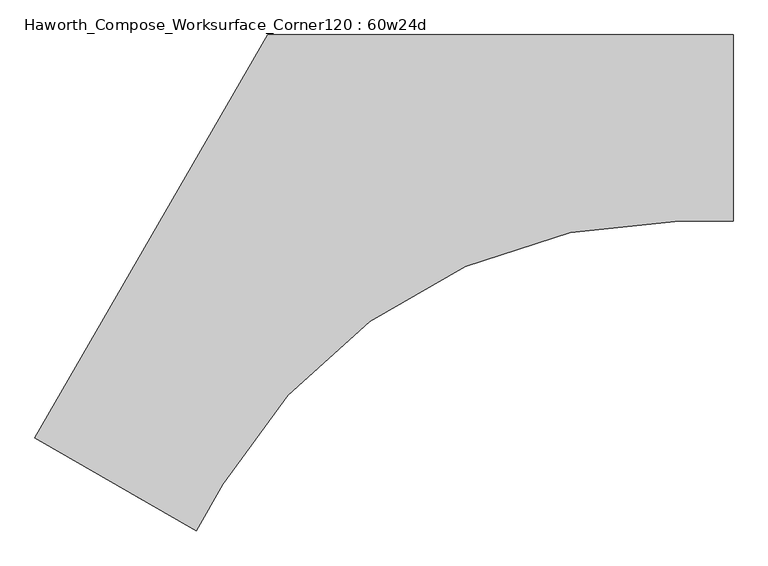
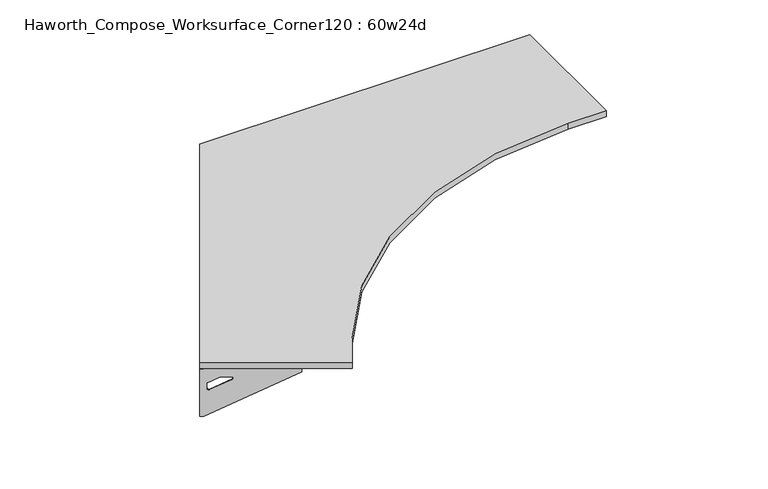
"""IFC4 building model written with IfcOpenShell, lengths in millimetres: furniture geometry, Haworth_Compose_Worksurface_Corner120 : 60w24d."""

import ifcopenshell
import ifcopenshell.guid

model = None  # the IFC model being written
_history = None  # IfcOwnerHistory: only IFC2X3 demands one
_inside = {}  # id of a spatial element -> (the spatial element, [elements in it])
_under = {}  # id of a project, library or spatial element -> (it, [spatial elements below it])
_declared = {}  # id of a project -> (the project, [libraries it declares])
_typed = {}  # id of a type object -> (the type object, [elements of that type])
_made_of = {}  # id of a material, layer set ... -> (it, [elements and type objects made of it])


def new_model(schema):
    """Start an empty IFC model of exactly this schema.

    Asked for "IFC4X3", IfcOpenShell would pick the latest addendum, in which some entities
    have other attributes; the version numbers below select the first issue.
    IFC2X3 requires an IfcOwnerHistory on every rooted entity: one is made here for all.
    """
    global model, _history
    if schema == "IFC4X3":
        model = ifcopenshell.file(schema_version=(4, 3, 0, 0))
    else:
        model = ifcopenshell.file(schema=schema)
    _inside.clear()
    _under.clear()
    _declared.clear()
    _typed.clear()
    _made_of.clear()
    _history = None
    if model.schema == "IFC2X3":
        org = make("IfcOrganization", Name="unknown")
        user = make(
            "IfcPersonAndOrganization",
            ThePerson=make("IfcPerson", FamilyName="unknown"),
            TheOrganization=org,
        )
        app = make(
            "IfcApplication",
            ApplicationDeveloper=org,
            Version="unknown",
            ApplicationFullName="unknown",
            ApplicationIdentifier="unknown",
        )
        _history = make(
            "IfcOwnerHistory",
            OwningUser=user,
            OwningApplication=app,
            ChangeAction="ADDED",
            CreationDate=0,
        )
    return model


def make(cls, **values):
    """One entity of the class cls with the attributes given. An attribute that is None is left unset."""
    return model.create_entity(
        cls, **{name: value for name, value in values.items() if value is not None}
    )


def rooted(cls, **values):
    """An entity with a GlobalId (a new one), such as an element, a storey or a relation."""
    return make(cls, GlobalId=ifcopenshell.guid.new(), OwnerHistory=_history, **values)


def si_unit(unit_type, name, prefix=None):
    """IfcSIUnit, for example si_unit("LENGTHUNIT", "METRE", prefix="MILLI")."""
    return make("IfcSIUnit", UnitType=unit_type, Prefix=prefix, Name=name)


def assignment(units):
    """IfcUnitAssignment: the units of a project."""
    return None if units is None else make("IfcUnitAssignment", Units=units)


def point(xyz):
    """IfcCartesianPoint."""
    return None if xyz is None else make("IfcCartesianPoint", Coordinates=xyz)


def direction(xyz):
    """IfcDirection."""
    return None if xyz is None else make("IfcDirection", DirectionRatios=xyz)


def frame(location, z_axis=None, x_axis=None):
    """IfcAxis2Placement3D, a coordinate frame: its origin and axes. An axis left out is left unset."""
    return make(
        "IfcAxis2Placement3D",
        Location=point(location),
        Axis=direction(z_axis),
        RefDirection=direction(x_axis),
    )


def frame_2d(location, x_axis=None):
    """IfcAxis2Placement2D, a coordinate frame in the plane: its origin and x axis."""
    return make(
        "IfcAxis2Placement2D", Location=point(location), RefDirection=direction(x_axis)
    )


def origin():
    """The frame at (0, 0, 0) with its axes left unset."""
    return frame((0.0, 0.0, 0.0))


def place(relative_to, where):
    """IfcLocalPlacement: puts the frame where relative to a parent placement (None: the world)."""
    return make(
        "IfcLocalPlacement", PlacementRelTo=relative_to, RelativePlacement=where
    )


def context(
    kind, dimensions, precision=None, world=None, true_north=None, identifier=None
):
    """IfcGeometricRepresentationContext, for example the 3D "Model" context."""
    return make(
        "IfcGeometricRepresentationContext",
        ContextIdentifier=identifier,
        ContextType=kind,
        CoordinateSpaceDimension=dimensions,
        Precision=precision,
        WorldCoordinateSystem=world,
        TrueNorth=true_north,
    )


def project(units=None, contexts=None):
    """IfcProject with its units and contexts."""
    return rooted(
        "IfcProject",
        Name="project",
        RepresentationContexts=contexts,
        UnitsInContext=assignment(units),
    )


def spatial(cls, under=None, at=None, **own):
    """A site, building, storey or space (cls), placed at a placement, below another one or the project."""
    s = rooted(cls, ObjectPlacement=at, **own)
    if under is not None:
        _under.setdefault(under.id(), (under, []))[1].append(s)
    return s


def polyline(points):
    """IfcPolyline through the points."""
    return make("IfcPolyline", Points=[point(p) for p in points])


def circle_curve(where, radius):
    """IfcCircle in the frame where."""
    return make("IfcCircle", Position=where, Radius=radius)


def trimmed(basis, trim1, trim2, sense, master):
    """IfcTrimmedCurve: the piece of a basis curve between two trims."""
    return make(
        "IfcTrimmedCurve",
        BasisCurve=basis,
        Trim1=trim1,
        Trim2=trim2,
        SenseAgreement=sense,
        MasterRepresentation=master,
    )


def segment(curve, same_sense, transition):
    """IfcCompositeCurveSegment."""
    return make(
        "IfcCompositeCurveSegment",
        Transition=transition,
        SameSense=same_sense,
        ParentCurve=curve,
    )


def composite_curve(segments, self_intersect=None):
    """IfcCompositeCurve: segments joined end to end."""
    return make("IfcCompositeCurve", Segments=segments, SelfIntersect=self_intersect)


def outline(outer, holes=None, kind="AREA"):
    """IfcArbitraryClosedProfileDef: a profile drawn as a closed curve; with holes, ...WithVoids."""
    if holes is None:
        return make("IfcArbitraryClosedProfileDef", ProfileType=kind, OuterCurve=outer)
    return make(
        "IfcArbitraryProfileDefWithVoids",
        ProfileType=kind,
        OuterCurve=outer,
        InnerCurves=holes,
    )


def extrude(swept, where, along, depth):
    """IfcExtrudedAreaSolid: the profile swept, set in the frame where, extruded along a direction by depth."""
    return make(
        "IfcExtrudedAreaSolid",
        SweptArea=swept,
        Position=where,
        ExtrudedDirection=direction(along),
        Depth=depth,
    )


def shape(context_of_items, identifier, shape_type, items):
    """IfcShapeRepresentation: the items that make up one representation, for example the "Body"."""
    return make(
        "IfcShapeRepresentation",
        ContextOfItems=context_of_items,
        RepresentationIdentifier=identifier,
        RepresentationType=shape_type,
        Items=items,
    )


def source(mapping_origin, context_of_items, identifier, shape_type, items):
    """IfcRepresentationMap: a shape defined once, which mapped items show again and again."""
    return make(
        "IfcRepresentationMap",
        MappingOrigin=mapping_origin,
        MappedRepresentation=shape(context_of_items, identifier, shape_type, items),
    )


def transform(
    local_origin,
    x_axis=None,
    y_axis=None,
    z_axis=None,
    scale=None,
    scale2=None,
    scale3=None,
    uniform=True,
):
    """IfcCartesianTransformationOperator3D, or its non-uniform kind. x_axis, y_axis, z_axis: its Axis1, 2, 3."""
    if uniform:
        return make(
            "IfcCartesianTransformationOperator3D",
            Axis1=direction(x_axis),
            Axis2=direction(y_axis),
            LocalOrigin=point(local_origin),
            Scale=scale,
            Axis3=direction(z_axis),
        )
    return make(
        "IfcCartesianTransformationOperator3DnonUniform",
        Axis1=direction(x_axis),
        Axis2=direction(y_axis),
        LocalOrigin=point(local_origin),
        Scale=scale,
        Axis3=direction(z_axis),
        Scale2=scale2,
        Scale3=scale3,
    )


def mapped(mapping_source, mapping_target):
    """IfcMappedItem: shows the shape of a source again, moved by a transform."""
    return make(
        "IfcMappedItem", MappingSource=mapping_source, MappingTarget=mapping_target
    )


def made_of(thing, what):
    """Note that an element or type object is made of a material, layer set ...; save() writes the relation."""
    if what is not None:
        _made_of.setdefault(what.id(), (what, []))[1].append(thing)
    return thing


def element(
    cls,
    number,
    at=None,
    inside=None,
    cuts=None,
    type_object=None,
    material=None,
    context=None,
    identifier="Body",
    shape_type=None,
    held_by="IfcProductDefinitionShape",
    body=None,
    shapes=None,
    **own,
):
    """One element of the class cls, such as IfcWall. Its Tag is "e" and its number.

    at: its placement. inside: the storey or other place that contains it. cuts: it is an
    opening in that element (IfcRelVoidsElement). A single representation is given by context,
    identifier, shape_type and body (its items); several are given by shapes. held_by: the class
    of the entity that holds the representations. save() writes the other relations.
    """
    e = rooted(cls, Tag="e%d" % number, ObjectPlacement=at, **own)
    if body is not None:
        shapes = [shape(context, identifier, shape_type, body)]
    if shapes is not None:
        e.Representation = make(held_by, Representations=shapes)
    if inside is not None:
        _inside.setdefault(inside.id(), (inside, []))[1].append(e)
    if cuts is not None:
        rooted(
            "IfcRelVoidsElement", RelatingBuildingElement=cuts, RelatedOpeningElement=e
        )
    if type_object is not None:
        _typed.setdefault(type_object.id(), (type_object, []))[1].append(e)
    return made_of(e, material)


def aggregate(whole, parts):
    """IfcRelAggregates: a whole, such as a stair, and the parts it consists of."""
    return rooted("IfcRelAggregates", RelatingObject=whole, RelatedObjects=parts)


def save(model, path):
    """Write the relations noted so far, then the file.

    IfcRelAggregates (storeys below a building ...), IfcRelContainedInSpatialStructure (elements
    in a storey), IfcRelDefinesByType, IfcRelAssociatesMaterial and IfcRelDeclares: one each for
    every whole, place, type object, material and project.
    """
    for whole, parts in _under.values():
        aggregate(whole, parts)
    for where, things in _inside.values():
        rooted(
            "IfcRelContainedInSpatialStructure",
            RelatedElements=things,
            RelatingStructure=where,
        )
    for kind, things in _typed.values():
        rooted("IfcRelDefinesByType", RelatedObjects=things, RelatingType=kind)
    for what, things in _made_of.values():
        rooted("IfcRelAssociatesMaterial", RelatedObjects=things, RelatingMaterial=what)
    for by, libraries in _declared.values():
        rooted("IfcRelDeclares", RelatingContext=by, RelatedDefinitions=libraries)
    model.write(path)


def plane_surface(at):
    """IfcPlane: the flat surface through the origin of the frame at, square to its z axis."""
    return make("IfcPlane", Position=at)


def revolved_surface(curve, axis_point, axis_direction):
    """IfcSurfaceOfRevolution: the curve turned about the line through axis_point along axis_direction."""
    return make(
        "IfcSurfaceOfRevolution",
        SweptCurve=make("IfcArbitraryOpenProfileDef", ProfileType="CURVE", Curve=curve),
        AxisPosition=make("IfcAxis1Placement", Location=point(axis_point), Axis=direction(axis_direction)),
    )


def advanced_brep(points, edges, surfaces, faces):
    """IfcAdvancedBrep: a solid bounded by faces that lie on surfaces and meet in shared edges.

    An edge is (start, end): straight between two places in points (the first is 0);
    or (start, end, curve); or (start, end, curve, False) where it runs against its curve.
    A face is (place in surfaces, loops), or (place, loops, False) where it looks against
    its surface's normal. A loop lists edges by number (the first is 1), with a minus sign
    where the edge is run from its end to its start. The first loop is the outer one.
    """
    corners = [point(p) for p in points]
    vertices = [make("IfcVertexPoint", VertexGeometry=c) for c in corners]
    made = []
    for start, end, *more in edges:
        made.append(
            make(
                "IfcEdgeCurve",
                EdgeStart=vertices[start],
                EdgeEnd=vertices[end],
                EdgeGeometry=more[0] if more else make("IfcPolyline", Points=[corners[start], corners[end]]),
                SameSense=more[1] if len(more) > 1 else True,
            )
        )
    hull = []
    for where, loops, *sense in faces:
        bounds = []
        for j, loop in enumerate(loops):
            ring = [make("IfcOrientedEdge", EdgeElement=made[abs(k) - 1], Orientation=k > 0) for k in loop]
            bounds.append(
                make(
                    "IfcFaceOuterBound" if j == 0 else "IfcFaceBound",
                    Bound=make("IfcEdgeLoop", EdgeList=ring),
                    Orientation=True,
                )
            )
        hull.append(make("IfcAdvancedFace", Bounds=bounds, FaceSurface=surfaces[where], SameSense=sense[0] if sense else True))
    return make("IfcAdvancedBrep", Outer=make("IfcClosedShell", CfsFaces=hull))


def haworth_compose_worksurface_corner120_60w24d_9db3a5e5(model_context):
    return source(origin(), model_context, "Body", "SolidModel", [
        advanced_brep(
        [(759.61875, 304.8, 473.86875), (759.61875, 288.925, 473.86875), (759.61875, -101.6, 690.1317568), (759.61875, -101.6, 702.46875), (759.61875, 288.925, 702.46875), (759.61875, 304.8, 702.46875), (759.61875, 221.490072, 664.36875), (759.61875, 177.8355284, 664.36875), (759.61875, 175.1564235, 654.7830539), (759.61875, 266.8776173, 603.9901439), (759.61875, 276.225, 609.5881969), (759.61875, 276.225, 633.0985246), (759.61875, 274.4730055, 635.9367776), (759.61875, 224.5663437, 663.5738425), (762.0, 304.8, 473.86875), (762.0, 304.8, 702.46875), (762.0, 288.925, 702.46875), (762.0, 288.925, 704.85), (762.0, -101.6, 704.85), (762.0, -101.6, 690.1317568), (762.0, 288.925, 473.86875), (762.0, 221.490072, 664.36875), (762.0, 224.5663437, 663.5738425), (762.0, 274.4730055, 635.9367776), (762.0, 276.225, 633.0985246), (762.0, 276.225, 609.5881969), (762.0, 266.8776173, 603.9901439), (762.0, 175.1564235, 654.7830539), (762.0, 177.8355284, 664.36875), (720.725, -101.6, 704.85), (720.725, -101.6, 702.46875), (720.725, 288.925, 702.46875), (720.725, 288.925, 704.85)],
        [
            (0, 1),
            (1, 2),
            (2, 3),
            (3, 4),
            (4, 5),
            (5, 0),
            (6, 7),
            (7, 8, circle_curve(frame((759.61875, 177.8355284, 659.2015106), z_axis=(1.0, 0.0, 0.0), x_axis=(0.0, -1.0, 0.0)), 5.1672394)),
            (8, 9),
            (9, 10, circle_curve(frame((759.61875, 269.875, 609.5881969), z_axis=(1.0, 0.0, 0.0), x_axis=(0.0, -1.0, 0.0)), 6.35)),
            (10, 11),
            (11, 12, circle_curve(frame((759.61875, 273.05, 633.0985246), z_axis=(1.0, 0.0, 0.0), x_axis=(0.0, -1.0, 0.0)), 3.175)),
            (12, 13),
            (13, 6, circle_curve(frame((759.61875, 221.490072, 658.01875), z_axis=(1.0, 0.0, 0.0), x_axis=(0.0, -1.0, 0.0)), 6.35)),
            (14, 15),
            (15, 16),
            (16, 17),
            (17, 18),
            (18, 19),
            (19, 20),
            (20, 14),
            (21, 22, circle_curve(frame((762.0, 221.490072, 658.01875), z_axis=(-1.0, 0.0, 0.0), x_axis=(0.0, -1.0, 0.0)), 6.35)),
            (22, 23),
            (23, 24, circle_curve(frame((762.0, 273.05, 633.0985246), z_axis=(-1.0, 0.0, 0.0), x_axis=(0.0, -1.0, 0.0)), 3.175)),
            (24, 25),
            (25, 26, circle_curve(frame((762.0, 269.875, 609.5881969), z_axis=(-1.0, 0.0, 0.0), x_axis=(0.0, -1.0, 0.0)), 6.35)),
            (26, 27),
            (27, 28, circle_curve(frame((762.0, 177.8355284, 659.2015106), z_axis=(-1.0, 0.0, 0.0), x_axis=(0.0, -1.0, 0.0)), 5.1672394)),
            (28, 21),
            (4, 16),
            (15, 5),
            (14, 0),
            (20, 1),
            (19, 2),
            (18, 29),
            (29, 30),
            (30, 3),
            (6, 21),
            (28, 7),
            (9, 26),
            (25, 10),
            (24, 11),
            (23, 12),
            (27, 8),
            (31, 4),
            (30, 31),
            (32, 29),
            (17, 32),
            (31, 32),
            (22, 13),
        ],
        [
            plane_surface(frame((759.61875, 304.8, 473.86875), z_axis=(-1.0, 0.0, 0.0), x_axis=(0.0, 1.0, 0.0))),
            plane_surface(frame((762.0, 304.8, 473.86875), z_axis=(1.0, 0.0, 0.0), x_axis=(0.0, -1.0, 0.0))),
            plane_surface(frame((762.0, -101.6, 702.46875), z_axis=(0.0, 0.0, 1.0), x_axis=(-1.0, 0.0, 0.0))),
            plane_surface(frame((762.0, 304.8, 702.46875), z_axis=(0.0, 1.0, 0.0), x_axis=(-1.0, 0.0, 0.0))),
            plane_surface(frame((762.0, 304.8, 473.86875), z_axis=(0.0, 0.0, -1.0), x_axis=(-1.0, 0.0, 0.0))),
            plane_surface(frame((762.0, 288.925, 473.86875), z_axis=(0.0, -0.4844522351345575, -0.8748177135112957), x_axis=(-1.0, 0.0, 0.0))),
            plane_surface(frame((762.0, -101.6, 690.1317568), z_axis=(0.0, -1.0, 0.0), x_axis=(-1.0, 0.0, 0.0))),
            plane_surface(frame((762.0, 221.490072, 664.36875), z_axis=(0.0, 0.0, -1.0), x_axis=(-1.0, 0.0, 0.0))),
            revolved_surface(polyline([(759.61875, 263.525, 609.5881969), (762.0, 263.525, 609.5881969)]), (762.0, 269.875, 609.5881969), (-1.0, 0.0, 0.0)),
            plane_surface(frame((762.0, 276.225, 609.5881969), z_axis=(0.0, -1.0, 0.0), x_axis=(-1.0, 0.0, 0.0))),
            revolved_surface(polyline([(759.61875, 269.875, 633.0985246), (762.0, 269.875, 633.0985246)]), (762.0, 273.05, 633.0985246), (-1.0, 0.0, 0.0)),
            revolved_surface(polyline([(759.61875, 172.668289, 659.2015106), (762.0, 172.668289, 659.2015106)]), (762.0, 177.8355284, 659.2015106), (-1.0, 0.0, 0.0)),
            plane_surface(frame((762.0, 288.925, 702.46875), z_axis=(0.0, 0.0, -1.0), x_axis=(-1.0, 0.0, 0.0))),
            plane_surface(frame((762.0, 288.925, 704.85), z_axis=(0.0, 0.0, 1.0), x_axis=(1.0, 0.0, 0.0))),
            plane_surface(frame((720.725, 288.925, 704.85), z_axis=(0.0, 1.0, 0.0), x_axis=(0.0, 0.0, -1.0))),
            plane_surface(frame((720.725, -101.6, 704.85), z_axis=(-1.0, 0.0, 0.0), x_axis=(0.0, 0.0, -1.0))),
            plane_surface(frame((762.0, 175.1564235, 654.7830539), z_axis=(0.0, 0.4844522351341526, 0.8748177135115199), x_axis=(-1.0, 0.0, 0.0))),
            plane_surface(frame((762.0, 274.4730055, 635.9367776), z_axis=(0.0, -0.48445223513456226, -0.874817713511293), x_axis=(-1.0, 0.0, 0.0))),
            revolved_surface(polyline([(759.61875, 215.140072, 658.01875), (762.0, 215.140072, 658.01875)]), (762.0, 221.490072, 658.01875), (-1.0, 0.0, 0.0)),
        ],
        [
            (0, [[1, 2, 3, 4, 5, 6], [7, 8, 9, 10, 11, 12, 13, 14]]),
            (1, [[15, 16, 17, 18, 19, 20, 21], [22, 23, 24, 25, 26, 27, 28, 29]]),
            (2, [[-5, 30, -16, 31]]),
            (3, [[-31, -15, 32, -6]]),
            (4, [[-32, -21, 33, -1]]),
            (5, [[-33, -20, 34, -2]]),
            (6, [[-34, -19, 35, 36, 37, -3]]),
            (7, [[38, -29, 39, -7]]),
            (8, [[40, -26, 41, -10]]),
            (9, [[-41, -25, 42, -11]]),
            (10, [[-42, -24, 43, -12]]),
            (11, [[-39, -28, 44, -8]]),
            (12, [[45, -4, -37, 46]]),
            (13, [[47, -35, -18, 48]]),
            (14, [[-17, -30, -45, 49, -48]]),
            (15, [[-36, -47, -49, -46]]),
            (16, [[-44, -27, -40, -9]]),
            (17, [[-43, -23, 50, -13]]),
            (18, [[-50, -22, -38, -14]]),
        ],
    ),
        advanced_brep(
        [(-1522.809375, -1012.9604924, 473.86875), (-1522.809375, -1012.9604924, 702.46875), (-1509.0612217, -1020.8979924, 702.46875), (-1170.8566509, -1216.1604924, 702.46875), (-1170.8566509, -1216.1604924, 690.1317568), (-1509.0612217, -1020.8979924, 473.86875), (-1450.660861, -1054.6154564, 664.36875), (-1453.3249904, -1053.0773205, 663.5738425), (-1496.5454274, -1028.1239896, 635.9367776), (-1498.0626991, -1027.2479924, 633.0985246), (-1498.0626991, -1027.2479924, 609.5881969), (-1489.9676282, -1031.9216837, 603.9901439), (-1410.5347443, -1077.7822806, 654.7830539), (-1412.8549172, -1076.4427282, 664.36875), (-1524.0, -1015.0227154, 473.86875), (-1510.2518467, -1022.9602154, 473.86875), (-1172.0472759, -1218.2227154, 690.1317568), (-1172.0472759, -1218.2227154, 704.85), (-1510.2518467, -1022.9602154, 704.85), (-1510.2518467, -1022.9602154, 702.46875), (-1524.0, -1015.0227154, 702.46875), (-1451.851486, -1056.6776794, 664.36875), (-1414.0455422, -1078.5049512, 664.36875), (-1411.7253693, -1079.8445036, 654.7830539), (-1491.1582532, -1033.9839067, 603.9901439), (-1499.2533241, -1029.3102154, 609.5881969), (-1499.2533241, -1029.3102154, 633.0985246), (-1497.7360524, -1030.1862126, 635.9367776), (-1454.5156154, -1055.1395435, 663.5738425), (-1151.4097759, -1182.4775168, 702.46875), (-1151.4097759, -1182.4775168, 704.85), (-1489.6143467, -987.2150168, 702.46875), (-1489.6143467, -987.2150168, 704.85)],
        [
            (0, 1),
            (1, 2),
            (2, 3),
            (3, 4),
            (4, 5),
            (5, 0),
            (6, 7, circle_curve(frame((-1450.660861, -1054.6154564, 658.01875), z_axis=(-0.5000000000000026, -0.8660254037844374, 0.0), x_axis=(0.8660254037844372, -0.5000000000000024, 0.0)), 6.35)),
            (7, 8),
            (8, 9, circle_curve(frame((-1495.3130684, -1028.8354924, 633.0985246), z_axis=(-0.5000000000000026, -0.8660254037844374, 0.0), x_axis=(0.8660254037844372, -0.5000000000000024, 0.0)), 3.175)),
            (9, 10),
            (10, 11, circle_curve(frame((-1492.5634378, -1030.4229924, 609.5881969), z_axis=(-0.5000000000000026, -0.8660254037844374, 0.0), x_axis=(0.8660254037844372, -0.5000000000000024, 0.0)), 6.35)),
            (11, 12),
            (12, 13, circle_curve(frame((-1412.8549172, -1076.4427282, 659.2015106), z_axis=(-0.5000000000000026, -0.8660254037844374, 0.0), x_axis=(0.8660254037844372, -0.5000000000000024, 0.0)), 5.1672394)),
            (13, 6),
            (14, 15),
            (15, 16),
            (16, 17),
            (17, 18),
            (18, 19),
            (19, 20),
            (20, 14),
            (21, 22),
            (22, 23, circle_curve(frame((-1414.0455422, -1078.5049512, 659.2015106), z_axis=(0.5000000000000026, 0.8660254037844374, 0.0), x_axis=(0.8660254037844372, -0.5000000000000024, 0.0)), 5.1672394)),
            (23, 24),
            (24, 25, circle_curve(frame((-1493.7540628, -1032.4852154, 609.5881969), z_axis=(0.5000000000000026, 0.8660254037844374, 0.0), x_axis=(0.8660254037844372, -0.5000000000000024, 0.0)), 6.35)),
            (25, 26),
            (26, 27, circle_curve(frame((-1496.5036934, -1030.8977154, 633.0985246), z_axis=(0.5000000000000026, 0.8660254037844374, 0.0), x_axis=(0.8660254037844372, -0.5000000000000024, 0.0)), 3.175)),
            (27, 28),
            (28, 21, circle_curve(frame((-1451.851486, -1056.6776794, 658.01875), z_axis=(0.5000000000000026, 0.8660254037844374, 0.0), x_axis=(0.8660254037844372, -0.5000000000000024, 0.0)), 6.35)),
            (1, 20),
            (19, 2),
            (0, 14),
            (5, 15),
            (4, 16),
            (3, 29),
            (29, 30),
            (30, 17),
            (13, 22),
            (21, 6),
            (10, 25),
            (24, 11),
            (9, 26),
            (8, 27),
            (12, 23),
            (31, 29),
            (2, 31),
            (32, 18),
            (30, 32),
            (32, 31),
            (7, 28),
        ],
        [
            plane_surface(frame((-1522.809375, -1012.9604924, 473.86875), z_axis=(0.5000000000000026, 0.8660254037844373, 0.0), x_axis=(-0.8660254037844373, 0.5000000000000026, 0.0))),
            plane_surface(frame((-1524.0, -1015.0227154, 473.86875), z_axis=(-0.5000000000000026, -0.8660254037844373, 0.0), x_axis=(0.8660254037844373, -0.5000000000000026, 0.0))),
            plane_surface(frame((-1172.0472759, -1218.2227154, 702.46875), z_axis=(0.0, 0.0, 1.0), x_axis=(0.5000000000000011, 0.866025403784438, 0.0))),
            plane_surface(frame((-1524.0, -1015.0227154, 702.46875), z_axis=(-0.866025403784438, 0.5000000000000011, 0.0), x_axis=(0.5000000000000011, 0.866025403784438, 0.0))),
            plane_surface(frame((-1524.0, -1015.0227154, 473.86875), z_axis=(0.0, 0.0, -1.0), x_axis=(0.5000000000000011, 0.866025403784438, 0.0))),
            plane_surface(frame((-1510.2518467, -1022.9602154, 473.86875), z_axis=(0.41954794254667943, -0.24222611756727808, -0.8748177135112957), x_axis=(0.5000000000000011, 0.866025403784438, 0.0))),
            plane_surface(frame((-1172.0472759, -1218.2227154, 690.1317568), z_axis=(0.866025403784438, -0.5000000000000011, 0.0), x_axis=(0.5000000000000011, 0.866025403784438, 0.0))),
            plane_surface(frame((-1451.851486, -1056.6776794, 664.36875), z_axis=(0.0, 0.0, -1.0), x_axis=(0.5000000000000011, 0.866025403784438, 0.0))),
            revolved_surface(polyline([(-1487.0641764519498, -1033.5979923483158, 609.5881969), (-1488.2548014859688, -1035.6602154, 609.5881969)]), (-1493.7540628, -1032.4852154, 609.5881969), (0.5000000000000024, 0.8660254037844372, 0.0)),
            plane_surface(frame((-1499.2533241, -1029.3102154, 609.5881969), z_axis=(0.866025403784438, -0.5000000000000011, 0.0), x_axis=(0.5000000000000011, 0.866025403784438, 0.0))),
            revolved_surface(polyline([(-1492.56343773985, -1030.4229924018098, 633.0985246), (-1493.7540627537305, -1032.485215418613, 633.0985246)]), (-1496.5036934, -1030.8977154, 633.0985246), (0.5000000000000024, 0.8660254037844372, 0.0)),
            revolved_surface(polyline([(-1408.3799565880802, -1079.0263478655236, 659.2015106), (-1409.5705816121642, -1081.0885709000001, 659.2015106)]), (-1414.0455422, -1078.5049512, 659.2015106), (0.5000000000000024, 0.8660254037844372, 0.0)),
            plane_surface(frame((-1510.2518467, -1022.9602154, 702.46875), z_axis=(0.0, 0.0, -1.0), x_axis=(0.5000000000000011, 0.866025403784438, 0.0))),
            plane_surface(frame((-1510.2518467, -1022.9602154, 704.85), z_axis=(0.0, 0.0, 1.0), x_axis=(-0.5000000000000011, -0.866025403784438, 0.0))),
            plane_surface(frame((-1489.6143467, -987.2150168, 704.85), z_axis=(-0.866025403784438, 0.5000000000000011, 0.0), x_axis=(0.0, 0.0, -1.0))),
            plane_surface(frame((-1151.4097759, -1182.4775168, 704.85), z_axis=(0.5000000000000011, 0.866025403784438, 0.0), x_axis=(0.0, 0.0, -1.0))),
            plane_surface(frame((-1411.7253693, -1079.8445036, 654.7830539), z_axis=(-0.41954794254632877, 0.24222611756707563, 0.87481771351152), x_axis=(0.5000000000000011, 0.866025403784438, 0.0))),
            plane_surface(frame((-1497.7360524, -1030.1862126, 635.9367776), z_axis=(0.4195479425466836, -0.24222611756728046, -0.874817713511293), x_axis=(0.5000000000000011, 0.866025403784438, 0.0))),
            revolved_surface(polyline([(-1445.161599650898, -1057.790456346494, 658.01875), (-1446.3522246859688, -1059.8526794, 658.01875)]), (-1451.851486, -1056.6776794, 658.01875), (0.5000000000000024, 0.8660254037844372, 0.0)),
        ],
        [
            (0, [[1, 2, 3, 4, 5, 6], [7, 8, 9, 10, 11, 12, 13, 14]]),
            (1, [[15, 16, 17, 18, 19, 20, 21], [22, 23, 24, 25, 26, 27, 28, 29]]),
            (2, [[30, -20, 31, -2]]),
            (3, [[-1, 32, -21, -30]]),
            (4, [[-6, 33, -15, -32]]),
            (5, [[-5, 34, -16, -33]]),
            (6, [[-4, 35, 36, 37, -17, -34]]),
            (7, [[-14, 38, -22, 39]]),
            (8, [[-11, 40, -25, 41]]),
            (9, [[-10, 42, -26, -40]]),
            (10, [[-9, 43, -27, -42]]),
            (11, [[-13, 44, -23, -38]]),
            (12, [[45, -35, -3, 46]]),
            (13, [[47, -18, -37, 48]]),
            (14, [[-47, 49, -46, -31, -19]]),
            (15, [[-45, -49, -48, -36]]),
            (16, [[-12, -41, -24, -44]]),
            (17, [[-8, 50, -28, -43]]),
            (18, [[-7, -39, -29, -50]]),
        ],
    ),
        extrude(outline(composite_curve([segment(polyline([(-1524.0, -1015.0227154), (-762.0, 304.8), (762.0, 304.8), (762.0, -304.8), (587.152109, -304.8)]), True, "CONTINUOUS"), segment(trimmed(circle_curve(frame_2d((587.152109, -2032.0)), 1727.2), [point((587.152109, -304.8))], [point((-908.6469684, -1168.4))], True, "CARTESIAN"), True, "CONTINUOUS"), segment(polyline([(-908.6469684, -1168.4), (-996.0709139, -1319.8227154), (-1524.0, -1015.0227154)]), True, "CONTINUOUS")], self_intersect=False)), frame((0.0, 0.0, 706.4375), z_axis=(0.0, 0.0, 1.0), x_axis=(1.0, 0.0, 0.0)), (0.0, 0.0, 1.0), 30.1625),
    ])


if __name__ == "__main__":
    model = new_model("IFC4")
    model_context = context("Model", 3, world=origin())
    ifc_project = project(units=[si_unit("LENGTHUNIT", "METRE", prefix="MILLI")], contexts=[model_context])
    site = spatial("IfcSite", under=ifc_project)
    building = spatial("IfcBuilding", under=site)
    placement = place(None, origin())
    haworth_compose_worksurface_corner120_60w24d_shape = haworth_compose_worksurface_corner120_60w24d_9db3a5e5(model_context)
    element("IfcFurniture", 1, ObjectType="Haworth_Compose_Worksurface_Corner120 : 60w24d", at=placement, inside=building, context=model_context, shape_type="MappedRepresentation", body=[
        mapped(haworth_compose_worksurface_corner120_60w24d_shape, transform((0.0, 0.0, 0.0), x_axis=(1.0, 0.0, 0.0), y_axis=(0.0, 1.0, 0.0), z_axis=(0.0, 0.0, 1.0))),
    ])
    save(model, "model.ifc")
